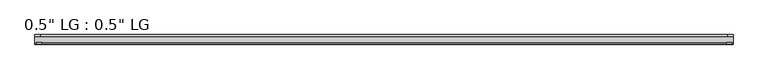
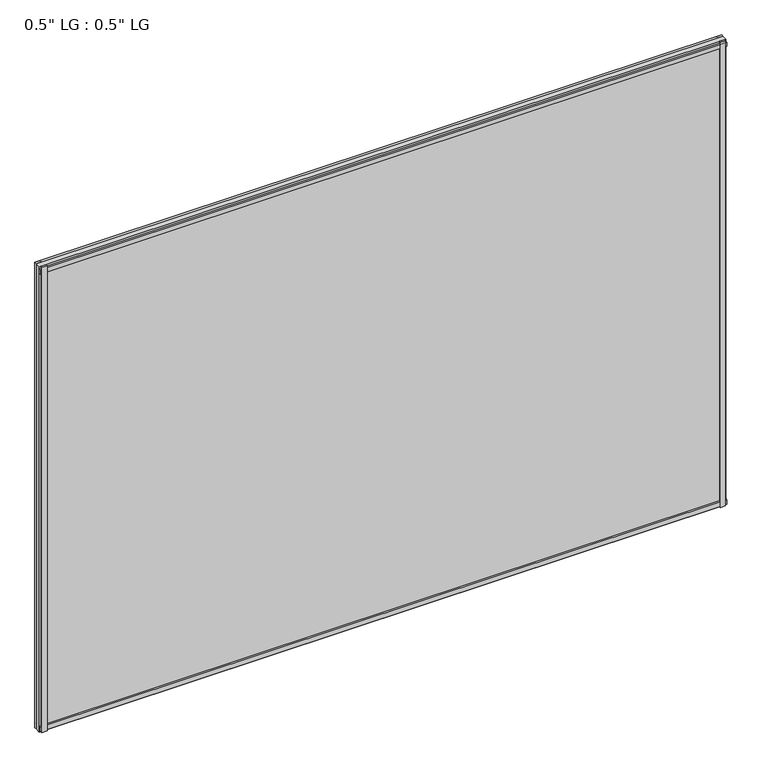
"""IFC4 building model written with IfcOpenShell, lengths in millimetres: plate geometry."""

from ifc_helpers import new_model, si_unit, frame, origin, origin_with_axes, place, context, project, spatial, polyline, outline, extrude, source, transform, mapped, element, save


def plate_3d000193(model_context):
    return source(origin(), model_context, "Body", "SweptSolid", [
        extrude(outline(polyline([(825.5, 33.3271813), (813.3623204, 33.3271813), (813.3623204, 38.0007813), (825.5, 38.0007813), (825.5, 33.3271813)])), origin_with_axes(), (0.0, 0.0, 1.0), 1181.7821763),
        extrude(outline(polyline([(821.9686463, 15.5217813), (809.9562225, 15.5217813), (809.9562225, 19.7127813), (821.9686463, 19.7127813), (821.9686463, 15.5217813)])), origin_with_axes(), (0.0, 0.0, 1.0), 1181.7821763),
        extrude(outline(polyline([(-813.209422, 38.0007812), (-813.209422, 33.3271813), (-825.5, 33.3271813), (-825.5, 38.0007812), (-813.209422, 38.0007812)])), origin_with_axes(), (0.0, 0.0, 1.0), 1181.7821763),
        extrude(outline(polyline([(-809.2501841, 19.7127813), (-809.2501841, 15.5217812), (-821.5407621, 15.5217812), (-821.5407621, 19.7127813), (-809.2501841, 19.7127813)])), origin_with_axes(), (0.0, 0.0, 1.0), 1181.7821763),
        extrude(outline(polyline([(825.5, 33.3271813), (-825.5, 33.3271813), (-825.5, 38.0007812), (825.5, 38.0007813), (825.5, 33.3271813)])), origin_with_axes(), (0.0, 0.0, 1.0), 11.1693096),
        extrude(outline(polyline([(825.5, 15.3590708), (-825.5, 15.3590708), (-825.5, 20.1364307), (825.5, 20.1364307), (825.5, 15.3590708)])), frame((0.0, 0.0, 3.848913), z_axis=(0.0, 0.0, 1.0), x_axis=(1.0, 0.0, 0.0)), (0.0, 0.0, 1.0), 11.1693096),
        extrude(outline(polyline([(825.5, 33.3271813), (-825.5, 33.3271812), (-825.5, 38.0007812), (825.5, 38.0007813), (825.5, 33.3271813)])), frame((0.0, 0.0, 1170.6010704), z_axis=(0.0, 0.0, 1.0), x_axis=(1.0, 0.0, 0.0)), (0.0, 0.0, 1.0), 11.1811058),
        extrude(outline(polyline([(825.5, 15.5217813), (-825.5, 15.5217813), (-825.5, 19.7127812), (825.5, 19.7127813), (825.5, 15.5217813)])), frame((0.0, 0.0, 1166.0419237), z_axis=(0.0, 0.0, 1.0), x_axis=(1.0, 0.0, 0.0)), (0.0, 0.0, 1.0), 11.1811058),
        extrude(outline(polyline([(825.5, 33.3271812), (825.5, 19.7127812), (-825.5, 19.7127812), (-825.5, 33.3271812), (825.5, 33.3271812)])), origin_with_axes(), (0.0, 0.0, 1.0), 1181.7821763),
    ])


if __name__ == "__main__":
    model = new_model("IFC4")
    model_context = context("Model", 3, world=origin())
    ifc_project = project(units=[si_unit("LENGTHUNIT", "METRE", prefix="MILLI")], contexts=[model_context])
    site = spatial("IfcSite", under=ifc_project)
    building = spatial("IfcBuilding", under=site)
    placement = place(None, origin())
    plate_shape = plate_3d000193(model_context)
    element("IfcPlate", 1, ObjectType="0.5\" LG : 0.5\" LG", at=placement, inside=building, context=model_context, shape_type="MappedRepresentation", body=[
        mapped(plate_shape, transform((0.0, 0.0, 0.0), x_axis=(1.0, 0.0, 0.0), y_axis=(0.0, 1.0, 0.0), z_axis=(0.0, 0.0, 1.0))),
    ])
    save(model, "model.ifc")
